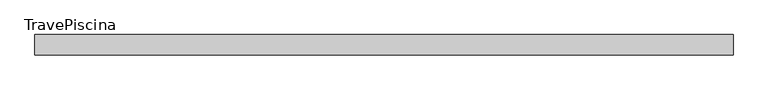
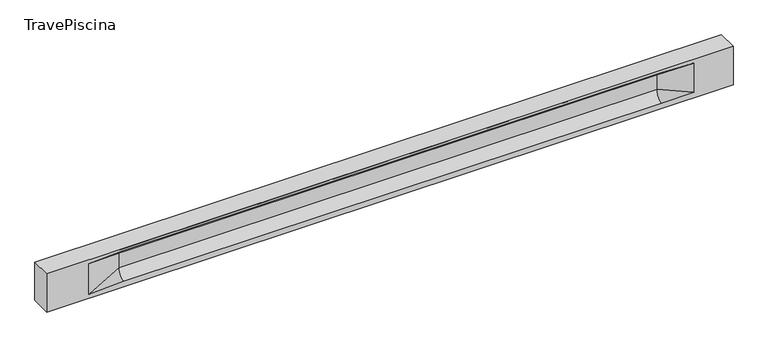
"""IFC4 building model written with IfcOpenShell, lengths in millimetres: beam geometry, TravePiscina."""

from ifc_helpers import new_model, si_unit, frame, origin, place, context, project, spatial, polyline, circle_curve, source, transform, mapped, element, save
from ifc_brep_helpers import plane_surface, revolved_surface, spline_surface, advanced_brep


def travepiscina_b50128b7(model_context):
    return source(origin(), model_context, "Body", "AdvancedBrep", [
        advanced_brep(
        [(8505.5, -250.0, 500.0), (8505.5, -250.0, -500.0), (8505.5, 250.0, -500.0), (8505.5, 250.0, 500.0), (-8505.5, -250.0, 500.0), (-8505.5, -250.0, -500.0), (7530.5, -250.0, -362.0), (6730.5, -250.0, -360.0), (-6605.5, -250.0, -360.0), (-7455.5, -250.0, -400.0), (-7455.5, -250.0, 400.0), (-6605.5, -250.0, 435.0), (6730.5, -250.0, 435.0), (7530.5, -250.0, 400.0), (-8505.5, 250.0, -500.0), (-8505.5, 250.0, 500.0), (7530.5, 250.0, 400.0), (6730.5, 250.0, 435.0), (-6605.5, 250.0, 435.0), (-7455.5, 250.0, 400.0), (-7455.5, 250.0, -400.0), (-6605.5, 250.0, -360.0), (6730.5, 250.0, -360.0), (7530.5, 250.0, -362.0), (6730.5, 155.0, 405.0), (-6605.5, 155.0, 405.0), (-6605.5, -60.0, 262.777021), (6730.5, -60.0, 262.777021), (6730.5, -155.0, 405.0), (-6605.5, -155.0, 405.0), (-6605.5, 60.0, 262.777021), (6730.5, 60.0, 262.777021), (6730.5, 60.0, -120.0), (-6605.5, 60.0, -120.0), (-6605.5, -60.0, -120.0), (6730.5, -60.0, -120.0)],
        [
            (0, 1),
            (1, 2),
            (2, 3),
            (3, 0),
            (0, 4),
            (4, 5),
            (5, 1),
            (6, 7),
            (7, 8),
            (8, 9),
            (9, 10),
            (10, 11),
            (11, 12),
            (12, 13),
            (13, 6),
            (5, 14),
            (14, 2),
            (14, 15),
            (15, 3),
            (16, 17),
            (17, 18),
            (18, 19),
            (19, 20),
            (20, 21),
            (21, 22),
            (22, 23),
            (23, 16),
            (15, 4),
            (17, 24),
            (24, 25),
            (25, 18),
            (26, 27),
            (27, 28, circle_curve(frame((6730.5, -213.9598725, 262.777021), z_axis=(1.0, 0.0, 0.0), x_axis=(0.0, 1.0, 0.0)), 153.9598725)),
            (28, 29),
            (29, 26, circle_curve(frame((-6605.5, -213.9598725, 262.777021), z_axis=(-1.0, 0.0, 0.0), x_axis=(0.0, 1.0, 0.0)), 153.9598725)),
            (30, 31),
            (31, 32),
            (32, 33),
            (33, 30),
            (28, 12),
            (11, 29),
            (34, 35),
            (35, 27),
            (26, 34),
            (25, 19),
            (22, 32, circle_curve(frame((6730.5, 306.5789474, -120.0), z_axis=(-1.0, 0.0, 0.0), x_axis=(0.0, 1.0, 0.0)), 246.5789474)),
            (32, 23),
            (10, 29),
            (10, 26),
            (13, 28),
            (27, 13),
            (30, 19),
            (25, 30, circle_curve(frame((-6605.5, 213.9598725, 262.777021), z_axis=(1.0, 0.0, 0.0), x_axis=(0.0, 1.0, 0.0)), 153.9598725)),
            (9, 34),
            (8, 34, circle_curve(frame((-6605.5, -306.5789474, -120.0), z_axis=(1.0, 0.0, 0.0), x_axis=(0.0, 1.0, 0.0)), 246.5789474)),
            (20, 33),
            (33, 21, circle_curve(frame((-6605.5, 306.5789474, -120.0), z_axis=(1.0, 0.0, 0.0), x_axis=(0.0, 1.0, 0.0)), 246.5789474)),
            (35, 6),
            (35, 7, circle_curve(frame((6730.5, -306.5789474, -120.0), z_axis=(-1.0, 0.0, 0.0), x_axis=(0.0, 1.0, 0.0)), 246.5789474)),
            (31, 16),
            (31, 24, circle_curve(frame((6730.5, 213.9598725, 262.777021), z_axis=(-1.0, 0.0, 0.0), x_axis=(0.0, 1.0, 0.0)), 153.9598725)),
            (24, 16),
        ],
        [
            plane_surface(frame((8505.5, 0.0, 0.0), z_axis=(1.0, 0.0, 0.0), x_axis=(0.0, 0.0, 1.0))),
            plane_surface(frame((8505.5, -250.0, 500.0), z_axis=(0.0, -1.0, 0.0), x_axis=(-1.0, 0.0, 0.0))),
            plane_surface(frame((8505.5, -250.0, -500.0), z_axis=(0.0, 0.0, -1.0), x_axis=(-1.0, 0.0, 0.0))),
            plane_surface(frame((8505.5, 250.0, -500.0), z_axis=(0.0, 1.0, 0.0), x_axis=(-1.0, 0.0, 0.0))),
            plane_surface(frame((8505.5, 250.0, 500.0), z_axis=(0.0, 0.0, 1.0), x_axis=(-1.0, 0.0, 0.0))),
            plane_surface(frame((-6605.5, 250.0, 435.0), z_axis=(0.0, 0.30113136793710954, -0.9535826651341378), x_axis=(1.0, 0.0, 0.0))),
            plane_surface(frame((-8505.5, 0.0, 0.0), z_axis=(-1.0, 0.0, 0.0), x_axis=(0.0, 0.0, 1.0))),
            revolved_surface(polyline([(6730.5, -60.0, 262.777021), (-6605.5, -60.0, 262.777021)]), (-6605.5, -213.9598725, 262.777021), (1.0, 0.0, 0.0)),
            plane_surface(frame((-6605.5, 60.0, 262.777021), z_axis=(0.0, 1.0, 0.0), x_axis=(1.0, 0.0, 0.0))),
            plane_surface(frame((-6605.5, -155.0, 405.0), z_axis=(0.0, -0.30113136793710693, -0.9535826651341387), x_axis=(1.0, 0.0, 0.0))),
            plane_surface(frame((-6605.5, -60.0, -120.0), z_axis=(0.0, -1.0, 0.0), x_axis=(1.0, 0.0, 0.0))),
            plane_surface(frame((-7455.5, 250.0, 400.0), z_axis=(0.03923493491469444, 0.30089950084952793, -0.9528484193567961), x_axis=(0.0, 0.9535826651341378, 0.30113136793710954))),
            spline_surface(2, 1, [[(6730.5, 250.0, -360.0), (7530.5, 250.0, -362.0)], [(6730.5, 60.00000002887427, -315.20833329480604), (7530.5, 250.0, -362.0)], [(6730.5, 60.0, -120.0), (7530.5, 250.0, -362.0)]], [3, 3], [2, 2], [0.0, 1.0], [0.0, 1.0], weights=[[1.0, 1.0], [0.7840458245391329, 0.7840458245391329], [1.0, 1.0]]),
            plane_surface(frame((-7455.5, -250.0, 400.0), z_axis=(0.03923493491469448, -0.3008995008495253, -0.952848419356797), x_axis=(0.0, 0.9535826651341387, -0.30113136793710693))),
            spline_surface(2, 1, [[(-7455.5, -250.0, 400.0), (-6605.5, -155.0, 405.0)], [(-7455.5, -250.0, 400.0), (-6605.5, -60.00000008030692, 365.6168572114734)], [(-7455.5, -250.0, 400.0), (-6605.5, -60.0, 262.777021)]], [3, 3], [2, 2], [0.0, 1.0], [0.0, 1.0], weights=[[1.0, 1.0], [0.8315515924557569, 0.8315515924557569], [1.0, 1.0]]),
            spline_surface(2, 1, [[(6730.5, -155.0, 405.0), (7530.5, -250.0, 400.0)], [(6730.5, -60.00000008030692, 365.6168572114734), (7530.5, -250.0, 400.0)], [(6730.5, -60.0, 262.777021), (7530.5, -250.0, 400.0)]], [3, 3], [2, 2], [0.0, 1.0], [0.0, 1.0], weights=[[1.0, 1.0], [0.8315515924557569, 0.8315515924557569], [1.0, 1.0]]),
            plane_surface(frame((6730.5, -202.5, 420.0), z_axis=(-0.04168298285568746, -0.30086965068766125, -0.9527538938442274), x_axis=(0.0, 0.9535826651341387, -0.30113136793710693))),
            spline_surface(2, 1, [[(-7455.5, 250.0, 400.0), (-6605.5, 60.0, 262.777021)], [(-7455.5, 250.0, 400.0), (-6605.5, 59.99999995452379, 365.6168572954922)], [(-7455.5, 250.0, 400.0), (-6605.5, 155.0, 405.0)]], [3, 3], [2, 2], [0.0, 1.0], [0.0, 1.0], weights=[[1.0, 1.0], [0.8315515921160737, 0.8315515921160737], [1.0, 1.0]]),
            plane_surface(frame((-7455.5, -250.0, 0.0), z_axis=(0.21814596370705283, -0.975916153426267, 0.0), x_axis=(0.0, 0.0, -1.0))),
            spline_surface(2, 1, [[(-7455.5, -250.0, -400.0), (-6605.5, -60.0, -120.0)], [(-7455.5, -250.0, -400.0), (-6605.5, -59.99999998020837, -315.20833333333337)], [(-7455.5, -250.0, -400.0), (-6605.5, -250.0, -360.0)]], [3, 3], [2, 2], [0.0, 1.0], [0.0, 1.0], weights=[[1.0, 1.0], [0.7840458244617614, 0.7840458244617614], [1.0, 1.0]]),
            spline_surface(2, 1, [[(-7455.5, 250.0, -400.0), (-6605.5, 250.0, -360.0)], [(-7455.5, 250.0, -400.0), (-6605.5, 60.00000002887427, -315.20833329480604)], [(-7455.5, 250.0, -400.0), (-6605.5, 60.0, -120.0)]], [3, 3], [2, 2], [0.0, 1.0], [0.0, 1.0], weights=[[1.0, 1.0], [0.7840458245391329, 0.7840458245391329], [1.0, 1.0]]),
            plane_surface(frame((-7455.5, 250.0, 0.0), z_axis=(0.21814596370704872, 0.975916153426268, 0.0), x_axis=(0.0, 0.0, 1.0))),
            plane_surface(frame((6730.5, -60.0, 71.3885105), z_axis=(-0.23107243079589737, -0.9729365507195602, 0.0), x_axis=(0.0, 0.0, -1.0))),
            spline_surface(2, 1, [[(6730.5, -60.0, -120.0), (7530.5, -250.0, -362.0)], [(6730.5, -59.99999998020837, -315.20833333333337), (7530.5, -250.0, -362.0)], [(6730.5, -250.0, -360.0), (7530.5, -250.0, -362.0)]], [3, 3], [2, 2], [0.0, 1.0], [0.0, 1.0], weights=[[1.0, 1.0], [0.7840458244617614, 0.7840458244617614], [1.0, 1.0]]),
            plane_surface(frame((6730.5, 60.0, 71.3885105), z_axis=(-0.23107243079589093, 0.9729365507195618, 0.0), x_axis=(0.0, 0.0, 1.0))),
            spline_surface(2, 1, [[(6730.5, 60.0, 262.777021), (7530.5, 250.0, 400.0)], [(6730.5, 59.99999995452379, 365.6168572954922), (7530.5, 250.0, 400.0)], [(6730.5, 155.0, 405.0), (7530.5, 250.0, 400.0)]], [3, 3], [2, 2], [0.0, 1.0], [0.0, 1.0], weights=[[1.0, 1.0], [0.8315515921160737, 0.8315515921160737], [1.0, 1.0]]),
            plane_surface(frame((6730.5, 202.5, 420.0), z_axis=(-0.04168298285568672, 0.30086965068766386, -0.9527538938442265), x_axis=(0.0, 0.9535826651341378, 0.30113136793710954))),
            revolved_surface(polyline([(6730.5, 367.919745, 262.777021), (-6605.5, 367.919745, 262.777021)]), (-6605.5, 213.9598725, 262.777021), (1.0, 0.0, 0.0)),
            revolved_surface(polyline([(6730.5, 553.1578948, -120.0), (-6605.5, 553.1578948, -120.0)]), (-6605.5, 306.5789474, -120.0), (1.0, 0.0, 0.0)),
            revolved_surface(polyline([(6730.5, -60.0, -120.0), (-6605.5, -60.0, -120.0)]), (-6605.5, -306.5789474, -120.0), (1.0, 0.0, 0.0)),
        ],
        [
            (0, [[1, 2, 3, 4]]),
            (1, [[-1, 5, 6, 7], [8, 9, 10, 11, 12, 13, 14, 15]]),
            (2, [[-2, -7, 16, 17]]),
            (3, [[-3, -17, 18, 19], [20, 21, 22, 23, 24, 25, 26, 27]]),
            (4, [[-5, -4, -19, 28]]),
            (5, [[-21, 29, 30, 31]]),
            (6, [[-28, -18, -16, -6]]),
            (7, [[32, 33, 34, 35]]),
            (8, [[36, 37, 38, 39]]),
            (9, [[-34, 40, -13, 41]]),
            (10, [[42, 43, -32, 44]]),
            (11, [[45, -22, -31]]),
            (12, [[-26, 46, 47]]),
            (13, [[-12, 48, -41]]),
            (14, [[-48, 49, -35]]),
            (15, [[50, -33, 51]]),
            (16, [[-14, -40, -50]]),
            (17, [[52, -45, 53]]),
            (18, [[-49, -11, 54, -44]]),
            (19, [[-54, -10, 55]]),
            (20, [[-24, 56, 57]]),
            (21, [[-52, -39, -56, -23]]),
            (22, [[-51, -43, 58, -15]]),
            (23, [[-58, 59, -8]]),
            (24, [[-47, -37, 60, -27]]),
            (25, [[-60, 61, 62]]),
            (26, [[-62, -29, -20]]),
            (27, [[-30, -61, -36, -53]]),
            (28, [[-38, -46, -25, -57]]),
            (29, [[-9, -59, -42, -55]]),
        ],
    ),
    ])


if __name__ == "__main__":
    model = new_model("IFC4")
    model_context = context("Model", 3, world=origin())
    ifc_project = project(units=[si_unit("LENGTHUNIT", "METRE", prefix="MILLI")], contexts=[model_context])
    site = spatial("IfcSite", under=ifc_project)
    building = spatial("IfcBuilding", under=site)
    placement = place(None, origin())
    travepiscina_shape = travepiscina_b50128b7(model_context)
    element("IfcBeam", 1, ObjectType="TravePiscina", at=placement, inside=building, context=model_context, shape_type="MappedRepresentation", body=[
        mapped(travepiscina_shape, transform((0.0, 0.0, 0.0), x_axis=(1.0, 0.0, 0.0), y_axis=(0.0, 1.0, 0.0), z_axis=(0.0, 0.0, 1.0))),
    ])
    save(model, "model.ifc")
